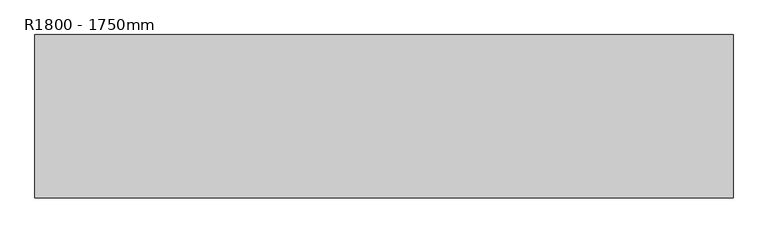
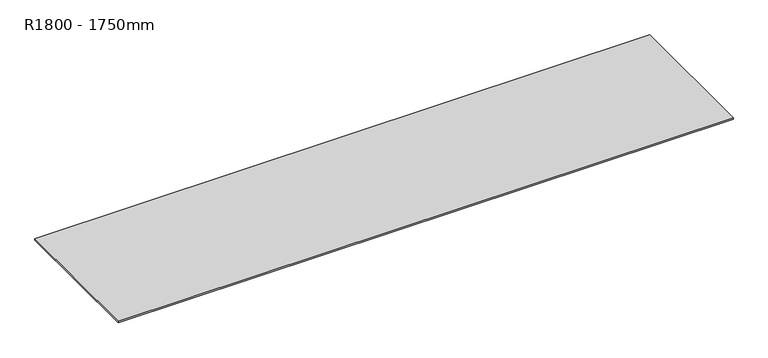
"""IFC4 building model written with IfcOpenShell, lengths in millimetres: proxy geometry, R1800 - 1750mm."""

from ifc_helpers import new_model, si_unit, origin, origin_with_axes, place, context, project, spatial, polyline, outline, extrude, source, transform, mapped, element, save


def r1800_1750mm_80d6ce33(model_context):
    return source(origin(), model_context, "Body", "SweptSolid", [
        extrude(outline(polyline([(875.0, -205.0), (-875.0, -205.0), (-875.0, 205.0), (875.0, 205.0), (875.0, -205.0)])), origin_with_axes(), (0.0, 0.0, 1.0), 5.0),
    ])


if __name__ == "__main__":
    model = new_model("IFC4")
    model_context = context("Model", 3, world=origin())
    ifc_project = project(units=[si_unit("LENGTHUNIT", "METRE", prefix="MILLI")], contexts=[model_context])
    site = spatial("IfcSite", under=ifc_project)
    building = spatial("IfcBuilding", under=site)
    placement = place(None, origin())
    r1800_1750mm_shape = r1800_1750mm_80d6ce33(model_context)
    element("IfcBuildingElementProxy", 1, Name="R1800 - 1750mm", ObjectType="R1800 - 1750mm", at=placement, inside=building, context=model_context, shape_type="MappedRepresentation", body=[
        mapped(r1800_1750mm_shape, transform((0.0, 0.0, 0.0), x_axis=(1.0, 0.0, 0.0), y_axis=(0.0, 1.0, 0.0), z_axis=(0.0, 0.0, 1.0))),
    ])
    save(model, "model.ifc")
